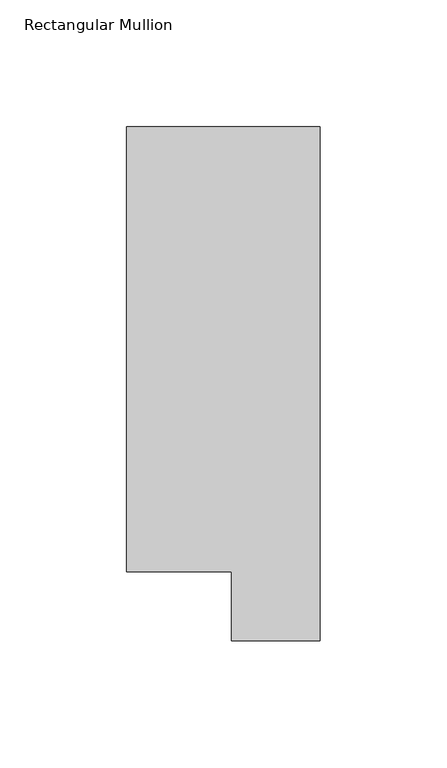
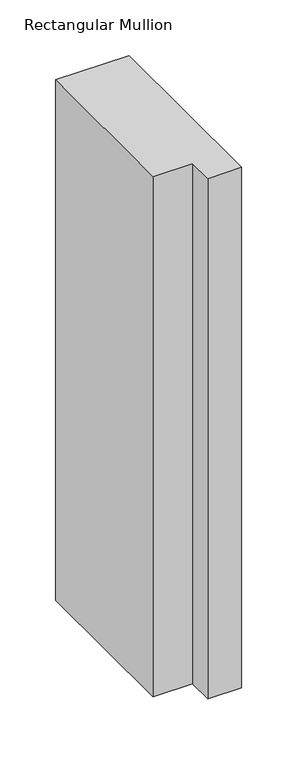
"""IFC4 building model written with IfcOpenShell, lengths in millimetres: member geometry, Rectangular Mullion."""

from ifc_helpers import new_model, si_unit, frame, origin, place, context, project, spatial, polyline, outline, extrude, source, transform, mapped, element, save


def rectangular_mullion_7211b40a(model_context):
    return source(origin(), model_context, "Body", "SweptSolid", [
        extrude(outline(polyline([(0.0, 222.0301313), (0.0, 19.5667312), (-34.9123, 19.5667312), (-34.9123, 46.7447302), (-76.2, 46.7447302), (-76.2, 222.0301313), (0.0, 222.0301313)])), frame((0.0, 0.0, -571.3114229), z_axis=(0.0, 0.0, 1.0), x_axis=(1.0, 0.0, 0.0)), (0.0, 0.0, 1.0), 571.3114229),
    ])


if __name__ == "__main__":
    model = new_model("IFC4")
    model_context = context("Model", 3, world=origin())
    ifc_project = project(units=[si_unit("LENGTHUNIT", "METRE", prefix="MILLI")], contexts=[model_context])
    site = spatial("IfcSite", under=ifc_project)
    building = spatial("IfcBuilding", under=site)
    placement = place(None, origin())
    rectangular_mullion_shape = rectangular_mullion_7211b40a(model_context)
    element("IfcMember", 1, ObjectType="Rectangular Mullion", at=placement, inside=building, context=model_context, shape_type="MappedRepresentation", body=[
        mapped(rectangular_mullion_shape, transform((0.0, 0.0, 0.0), x_axis=(1.0, 0.0, 0.0), y_axis=(0.0, 1.0, 0.0), z_axis=(0.0, 0.0, 1.0))),
    ])
    save(model, "model.ifc")
